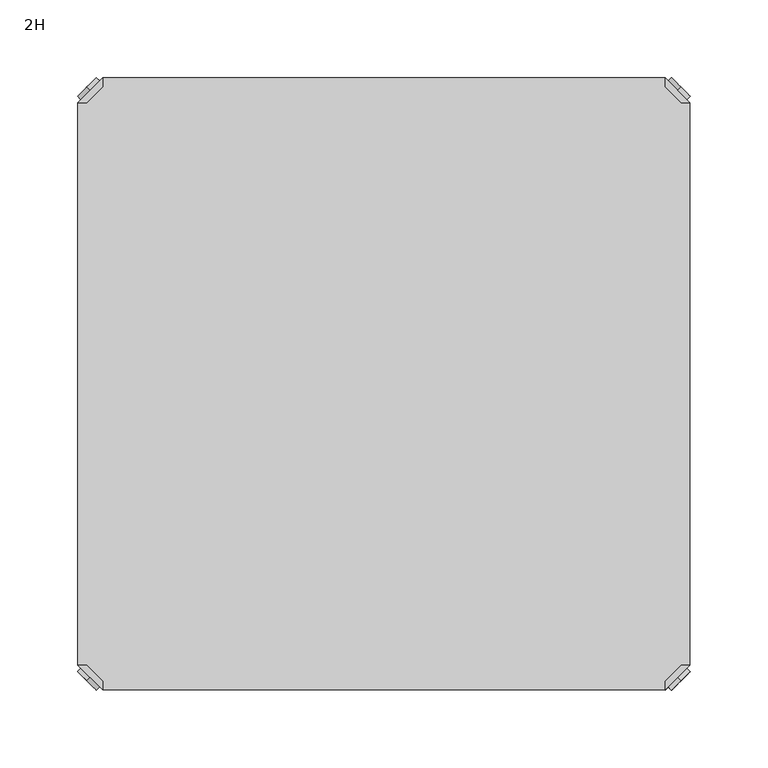
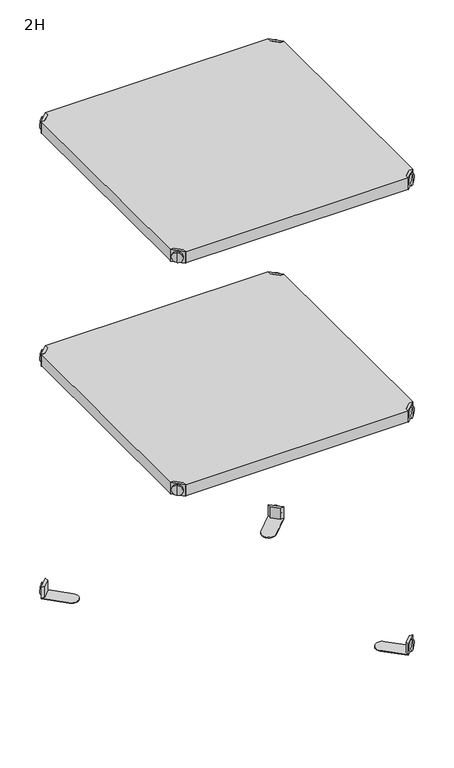
"""IFC4 building model written with IfcOpenShell, lengths in millimetres: furniture geometry, 2H."""

from ifc_helpers import new_model, si_unit, frame, origin, place, context, project, spatial, polyline, circle_curve, outline, extrude, source, transform, mapped, element, save
from ifc_brep_helpers import plane_surface, cylinder_surface, advanced_brep


def furniture_2h_fdd442cc(model_context):
    return source(origin(), model_context, "Body", "SolidModel", [
        advanced_brep(
        [(389.0398449, 10.9601551, 498.5), (389.0398449, 10.9601551, 515.5), (389.0398449, 10.9601551, 507.0), (391.1611652, 8.8388348, 498.5), (391.1611652, 8.8388348, 515.5), (391.1611652, 8.8388348, 507.0)],
        [
            (0, 1, circle_curve(frame((389.0398449, 10.9601551, 507.0), z_axis=(-0.7071067811865556, 0.7071067811865395, 0.0), x_axis=(0.0, 0.0, 1.0)), 8.5)),
            (1, 2),
            (2, 0),
            (1, 0, circle_curve(frame((389.0398449, 10.9601551, 507.0), z_axis=(-0.7071067811865556, 0.7071067811865395, 0.0), x_axis=(0.0, 0.0, 1.0)), 8.5)),
            (3, 4, circle_curve(frame((391.1611652, 8.8388348, 507.0), z_axis=(-0.7071067811865556, 0.7071067811865395, 0.0), x_axis=(0.0, 0.0, 1.0)), 8.5)),
            (4, 1),
            (0, 3),
            (4, 3, circle_curve(frame((391.1611652, 8.8388348, 507.0), z_axis=(-0.7071067811865556, 0.7071067811865395, 0.0), x_axis=(0.0, 0.0, 1.0)), 8.5)),
            (5, 4),
            (3, 5),
        ],
        [
            plane_surface(frame((389.0398449, 10.9601551, 507.0), z_axis=(-0.7071067811865552, 0.7071067811865399, 0.0), x_axis=(0.0, 0.0, 1.0))),
            cylinder_surface(frame((391.1611652, 8.8388348, 507.0), z_axis=(0.7071067811865556, -0.7071067811865395, 0.0), x_axis=(0.0, 0.0, 1.0)), 8.5),
            plane_surface(frame((391.1611652, 8.8388348, 507.0), z_axis=(0.7071067811865552, -0.7071067811865399, 0.0), x_axis=(0.0, 0.0, 1.0))),
        ],
        [
            (0, [[1, 2, 3]]),
            (0, [[4, -3, -2]]),
            (1, [[5, 6, -1, 7]]),
            (1, [[8, -7, -4, -6]]),
            (2, [[9, -5, 10]]),
            (2, [[-10, -8, -9]]),
        ],
    ),
        advanced_brep(
        [(381.0796898, 3.0, 517.0), (397.0, 18.9203102, 517.0), (391.3431458, 18.9203102, 517.0), (381.0796898, 8.6568542, 517.0), (381.0796898, 3.0, 498.0), (381.0796898, 3.0, 497.0), (397.0, 18.9203102, 497.0), (397.0, 18.9203102, 498.0), (391.3431458, 18.9203102, 498.0), (381.0796898, 8.6568542, 498.0), (368.1906025, 47.7297077, 498.0), (352.2702923, 31.8093975, 498.0), (352.2702923, 31.8093975, 497.0), (368.1906025, 47.7297077, 497.0)],
        [
            (0, 1),
            (1, 2),
            (2, 3),
            (3, 0),
            (0, 4),
            (4, 5),
            (5, 6),
            (6, 7),
            (7, 1),
            (2, 8),
            (8, 9),
            (9, 3),
            (9, 4),
            (7, 8),
            (7, 10),
            (10, 11, circle_curve(frame((360.2304474, 39.7695526, 498.0), z_axis=(0.0, 0.0, 1.0), x_axis=(-1.0, 0.0, 0.0)), 11.2573593)),
            (11, 4),
            (5, 12),
            (12, 13, circle_curve(frame((360.2304474, 39.7695526, 497.0), z_axis=(0.0, 0.0, -1.0), x_axis=(-1.0, 0.0, 0.0)), 11.2573593)),
            (13, 6),
            (13, 10),
            (12, 11),
        ],
        [
            plane_surface(frame((438.8756299, 60.7959401, 517.0), z_axis=(0.0, 0.0, 1.0000000000000002), x_axis=(0.7071067811865465, 0.7071067811865487, 0.0))),
            plane_surface(frame((381.0796898, 3.0, 517.0), z_axis=(0.7071067811865487, -0.7071067811865465, 0.0), x_axis=(0.0, 0.0, -1.0))),
            plane_surface(frame((391.3431458, 18.9203102, 517.0), z_axis=(-0.7071067811865573, 0.7071067811865377, 0.0), x_axis=(0.0, 0.0, -1.0))),
            plane_surface(frame((381.0796898, 8.6568542, 517.0), z_axis=(-1.0, 0.0, 0.0), x_axis=(0.0, 0.0, -1.0))),
            plane_surface(frame((397.0, 18.9203102, 517.0), z_axis=(0.0, 1.0, 0.0), x_axis=(0.0, 0.0, -1.0))),
            plane_surface(frame((397.0, 18.9203102, 498.0), z_axis=(0.0, 0.0, 1.0), x_axis=(0.7071067811865392, 0.7071067811865558, 0.0))),
            plane_surface(frame((397.0, 18.9203102, 497.0), z_axis=(0.0, 0.0, -1.0), x_axis=(-0.7071067811865392, -0.7071067811865558, 0.0))),
            plane_surface(frame((397.0, 18.9203102, 498.0), z_axis=(0.7071067811865399, 0.7071067811865552, 0.0), x_axis=(0.0, 0.0, -1.0))),
            cylinder_surface(frame((360.2304474, 39.7695526, 497.0), z_axis=(0.0, 0.0, 1.0), x_axis=(-1.0, 0.0, 0.0)), 11.2573593),
            plane_surface(frame((352.2702923, 31.8093975, 498.0), z_axis=(-0.7071067811865388, -0.7071067811865563, 0.0), x_axis=(0.0, 0.0, -1.0))),
        ],
        [
            (0, [[1, 2, 3, 4]]),
            (1, [[-1, 5, 6, 7, 8, 9]]),
            (2, [[-3, 10, 11, 12]]),
            (3, [[-4, -12, 13, -5]]),
            (4, [[-2, -9, 14, -10]]),
            (5, [[15, 16, 17, -13, -11, -14]]),
            (6, [[18, 19, 20, -7]]),
            (7, [[-15, -8, -20, 21]]),
            (8, [[-16, -21, -19, 22]]),
            (9, [[-17, -22, -18, -6]]),
        ],
    ),
        advanced_brep(
        [(389.0398449, 389.0398449, 498.5), (389.0398449, 389.0398449, 507.0), (389.0398449, 389.0398449, 515.5), (391.1611652, 391.1611652, 498.5), (391.1611652, 391.1611652, 515.5), (391.1611652, 391.1611652, 507.0)],
        [
            (0, 1),
            (1, 2),
            (2, 0, circle_curve(frame((389.0398449, 389.0398449, 507.0), z_axis=(-0.7071067811865509, -0.7071067811865441, 0.0), x_axis=(0.0, 0.0, 1.0)), 8.5)),
            (0, 2, circle_curve(frame((389.0398449, 389.0398449, 507.0), z_axis=(-0.7071067811865509, -0.7071067811865441, 0.0), x_axis=(0.0, 0.0, 1.0)), 8.5)),
            (3, 0),
            (2, 4),
            (4, 3, circle_curve(frame((391.1611652, 391.1611652, 507.0), z_axis=(-0.7071067811865509, -0.7071067811865441, 0.0), x_axis=(0.0, 0.0, 1.0)), 8.5)),
            (3, 4, circle_curve(frame((391.1611652, 391.1611652, 507.0), z_axis=(-0.7071067811865509, -0.7071067811865441, 0.0), x_axis=(0.0, 0.0, 1.0)), 8.5)),
            (5, 3),
            (4, 5),
        ],
        [
            plane_surface(frame((389.0398449, 389.0398449, 507.0), z_axis=(-0.7071067811865506, -0.7071067811865446, 0.0), x_axis=(0.0, 0.0, 1.0))),
            cylinder_surface(frame((391.1611652, 391.1611652, 507.0), z_axis=(0.7071067811865509, 0.7071067811865441, 0.0), x_axis=(0.0, 0.0, 1.0)), 8.5),
            plane_surface(frame((391.1611652, 391.1611652, 507.0), z_axis=(0.7071067811865506, 0.7071067811865446, 0.0), x_axis=(0.0, 0.0, 1.0))),
        ],
        [
            (0, [[1, 2, 3]]),
            (0, [[-2, -1, 4]]),
            (1, [[5, -3, 6, 7]]),
            (1, [[-6, -4, -5, 8]]),
            (2, [[9, -7, 10]]),
            (2, [[-10, -8, -9]]),
        ],
    ),
        advanced_brep(
        [(381.0796898, 397.0, 517.0), (381.0796898, 391.3431458, 517.0), (391.3431458, 381.0796898, 517.0), (397.0, 381.0796898, 517.0), (397.0, 381.0796898, 498.0), (397.0, 381.0796898, 497.0), (381.0796898, 397.0, 497.0), (381.0796898, 397.0, 498.0), (381.0796898, 391.3431458, 498.0), (391.3431458, 381.0796898, 498.0), (352.2702923, 368.1906025, 498.0), (368.1906025, 352.2702923, 498.0), (368.1906025, 352.2702923, 497.0), (352.2702923, 368.1906025, 497.0)],
        [
            (0, 1),
            (1, 2),
            (2, 3),
            (3, 0),
            (3, 4),
            (4, 5),
            (5, 6),
            (6, 7),
            (7, 0),
            (1, 8),
            (8, 9),
            (9, 2),
            (7, 8),
            (9, 4),
            (7, 10),
            (10, 11, circle_curve(frame((360.2304474, 360.2304474, 498.0), z_axis=(0.0, 0.0, 1.0), x_axis=(-1.0, 0.0, 0.0)), 11.2573593)),
            (11, 4),
            (5, 12),
            (12, 13, circle_curve(frame((360.2304474, 360.2304474, 497.0), z_axis=(0.0, 0.0, -1.0), x_axis=(-1.0, 0.0, 0.0)), 11.2573593)),
            (13, 6),
            (11, 12),
            (10, 13),
        ],
        [
            plane_surface(frame((438.8756299, 339.2040599, 517.0), z_axis=(0.0, 0.0, 1.0000000000000002), x_axis=(0.7071067811865511, -0.707106781186544, 0.0))),
            plane_surface(frame((381.0796898, 397.0, 517.0), z_axis=(0.707106781186544, 0.7071067811865511, 0.0), x_axis=(0.0, 0.0, -1.0))),
            plane_surface(frame((391.3431458, 381.0796898, 517.0), z_axis=(-0.7071067811865527, -0.7071067811865424, 0.0), x_axis=(0.0, 0.0, -1.0))),
            plane_surface(frame((381.0796898, 391.3431458, 517.0), z_axis=(-1.0, 0.0, 0.0), x_axis=(0.0, 0.0, -1.0))),
            plane_surface(frame((397.0, 381.0796898, 517.0), z_axis=(0.0, -1.0, 0.0), x_axis=(0.0, 0.0, -1.0))),
            plane_surface(frame((397.0, 381.0796898, 498.0), z_axis=(0.0, 0.0, 1.0), x_axis=(0.7071067811865439, -0.7071067811865511, 0.0))),
            plane_surface(frame((397.0, 381.0796898, 497.0), z_axis=(0.0, 0.0, -1.0), x_axis=(-0.7071067811865439, 0.7071067811865511, 0.0))),
            plane_surface(frame((397.0, 381.0796898, 498.0), z_axis=(0.7071067811865446, -0.7071067811865506, 0.0), x_axis=(0.0, 0.0, -1.0))),
            cylinder_surface(frame((360.2304474, 360.2304474, 497.0), z_axis=(0.0, 0.0, 1.0), x_axis=(-1.0, 0.0, 0.0)), 11.2573593),
            plane_surface(frame((352.2702923, 368.1906025, 498.0), z_axis=(-0.7071067811865435, 0.7071067811865517, 0.0), x_axis=(0.0, 0.0, -1.0))),
        ],
        [
            (0, [[1, 2, 3, 4]]),
            (1, [[5, 6, 7, 8, 9, -4]]),
            (2, [[10, 11, 12, -2]]),
            (3, [[-9, 13, -10, -1]]),
            (4, [[-12, 14, -5, -3]]),
            (5, [[-14, -11, -13, 15, 16, 17]]),
            (6, [[-7, 18, 19, 20]]),
            (7, [[21, -18, -6, -17]]),
            (8, [[22, -19, -21, -16]]),
            (9, [[-8, -20, -22, -15]]),
        ],
    ),
        advanced_brep(
        [(10.9601551, 389.0398449, 498.5), (10.9601551, 389.0398449, 515.5), (10.9601551, 389.0398449, 507.0), (8.8388348, 391.1611652, 498.5), (8.8388348, 391.1611652, 515.5), (8.8388348, 391.1611652, 507.0)],
        [
            (0, 1, circle_curve(frame((10.9601551, 389.0398449, 507.0), z_axis=(0.7071067811865509, -0.7071067811865441, 0.0), x_axis=(0.0, 0.0, 1.0)), 8.5)),
            (1, 2),
            (2, 0),
            (1, 0, circle_curve(frame((10.9601551, 389.0398449, 507.0), z_axis=(0.7071067811865509, -0.7071067811865441, 0.0), x_axis=(0.0, 0.0, 1.0)), 8.5)),
            (3, 4, circle_curve(frame((8.8388348, 391.1611652, 507.0), z_axis=(0.7071067811865509, -0.7071067811865441, 0.0), x_axis=(0.0, 0.0, 1.0)), 8.5)),
            (4, 1),
            (0, 3),
            (4, 3, circle_curve(frame((8.8388348, 391.1611652, 507.0), z_axis=(0.7071067811865509, -0.7071067811865441, 0.0), x_axis=(0.0, 0.0, 1.0)), 8.5)),
            (5, 4),
            (3, 5),
        ],
        [
            plane_surface(frame((10.9601551, 389.0398449, 507.0), z_axis=(0.7071067811865506, -0.7071067811865446, 0.0), x_axis=(0.0, 0.0, 1.0))),
            cylinder_surface(frame((8.8388348, 391.1611652, 507.0), z_axis=(-0.7071067811865509, 0.7071067811865441, 0.0), x_axis=(0.0, 0.0, 1.0)), 8.5),
            plane_surface(frame((8.8388348, 391.1611652, 507.0), z_axis=(-0.7071067811865506, 0.7071067811865446, 0.0), x_axis=(0.0, 0.0, 1.0))),
        ],
        [
            (0, [[1, 2, 3]]),
            (0, [[4, -3, -2]]),
            (1, [[5, 6, -1, 7]]),
            (1, [[8, -7, -4, -6]]),
            (2, [[9, -5, 10]]),
            (2, [[-10, -8, -9]]),
        ],
    ),
        advanced_brep(
        [(18.9203102, 397.0, 517.0), (3.0, 381.0796898, 517.0), (8.6568542, 381.0796898, 517.0), (18.9203102, 391.3431458, 517.0), (18.9203102, 397.0, 498.0), (18.9203102, 397.0, 497.0), (3.0, 381.0796898, 497.0), (3.0, 381.0796898, 498.0), (8.6568542, 381.0796898, 498.0), (18.9203102, 391.3431458, 498.0), (31.8093975, 352.2702923, 498.0), (47.7297077, 368.1906025, 498.0), (47.7297077, 368.1906025, 497.0), (31.8093975, 352.2702923, 497.0)],
        [
            (0, 1),
            (1, 2),
            (2, 3),
            (3, 0),
            (0, 4),
            (4, 5),
            (5, 6),
            (6, 7),
            (7, 1),
            (2, 8),
            (8, 9),
            (9, 3),
            (9, 4),
            (7, 8),
            (7, 10),
            (10, 11, circle_curve(frame((39.7695526, 360.2304474, 498.0), z_axis=(0.0, 0.0, 1.0), x_axis=(1.0, 0.0, 0.0)), 11.2573593)),
            (11, 4),
            (5, 12),
            (12, 13, circle_curve(frame((39.7695526, 360.2304474, 497.0), z_axis=(0.0, 0.0, -1.0), x_axis=(1.0, 0.0, 0.0)), 11.2573593)),
            (13, 6),
            (13, 10),
            (12, 11),
        ],
        [
            plane_surface(frame((-38.8756299, 339.2040599, 517.0), z_axis=(0.0, 0.0, 1.0000000000000002), x_axis=(-0.7071067811865511, -0.707106781186544, 0.0))),
            plane_surface(frame((18.9203102, 397.0, 517.0), z_axis=(-0.707106781186544, 0.7071067811865511, 0.0), x_axis=(0.0, 0.0, -1.0))),
            plane_surface(frame((8.6568542, 381.0796898, 517.0), z_axis=(0.7071067811865527, -0.7071067811865424, 0.0), x_axis=(0.0, 0.0, -1.0))),
            plane_surface(frame((18.9203102, 391.3431458, 517.0), z_axis=(1.0, 0.0, 0.0), x_axis=(0.0, 0.0, -1.0))),
            plane_surface(frame((3.0, 381.0796898, 517.0), z_axis=(0.0, -1.0, 0.0), x_axis=(0.0, 0.0, -1.0))),
            plane_surface(frame((3.0, 381.0796898, 498.0), z_axis=(0.0, 0.0, 1.0), x_axis=(-0.7071067811865439, -0.7071067811865511, 0.0))),
            plane_surface(frame((3.0, 381.0796898, 497.0), z_axis=(0.0, 0.0, -1.0), x_axis=(0.7071067811865439, 0.7071067811865511, 0.0))),
            plane_surface(frame((3.0, 381.0796898, 498.0), z_axis=(-0.7071067811865446, -0.7071067811865506, 0.0), x_axis=(0.0, 0.0, -1.0))),
            cylinder_surface(frame((39.7695526, 360.2304474, 497.0), z_axis=(0.0, 0.0, 1.0), x_axis=(1.0, 0.0, 0.0)), 11.2573593),
            plane_surface(frame((47.7297077, 368.1906025, 498.0), z_axis=(0.7071067811865435, 0.7071067811865517, 0.0), x_axis=(0.0, 0.0, -1.0))),
        ],
        [
            (0, [[1, 2, 3, 4]]),
            (1, [[-1, 5, 6, 7, 8, 9]]),
            (2, [[-3, 10, 11, 12]]),
            (3, [[-4, -12, 13, -5]]),
            (4, [[-2, -9, 14, -10]]),
            (5, [[15, 16, 17, -13, -11, -14]]),
            (6, [[18, 19, 20, -7]]),
            (7, [[-15, -8, -20, 21]]),
            (8, [[-16, -21, -19, 22]]),
            (9, [[-17, -22, -18, -6]]),
        ],
    ),
        advanced_brep(
        [(10.9601551, 10.9601551, 498.5), (10.9601551, 10.9601551, 507.0), (10.9601551, 10.9601551, 515.5), (8.8388348, 8.8388348, 498.5), (8.8388348, 8.8388348, 515.5), (8.8388348, 8.8388348, 507.0)],
        [
            (0, 1),
            (1, 2),
            (2, 0, circle_curve(frame((10.9601551, 10.9601551, 507.0), z_axis=(0.7071067811865464, 0.7071067811865487, 0.0), x_axis=(0.0, 0.0, 1.0)), 8.5)),
            (0, 2, circle_curve(frame((10.9601551, 10.9601551, 507.0), z_axis=(0.7071067811865464, 0.7071067811865487, 0.0), x_axis=(0.0, 0.0, 1.0)), 8.5)),
            (3, 0),
            (2, 4),
            (4, 3, circle_curve(frame((8.8388348, 8.8388348, 507.0), z_axis=(0.7071067811865464, 0.7071067811865487, 0.0), x_axis=(0.0, 0.0, 1.0)), 8.5)),
            (3, 4, circle_curve(frame((8.8388348, 8.8388348, 507.0), z_axis=(0.7071067811865464, 0.7071067811865487, 0.0), x_axis=(0.0, 0.0, 1.0)), 8.5)),
            (5, 3),
            (4, 5),
        ],
        [
            plane_surface(frame((10.9601551, 10.9601551, 507.0), z_axis=(0.707106781186546, 0.7071067811865491, 0.0), x_axis=(0.0, 0.0, 1.0))),
            cylinder_surface(frame((8.8388348, 8.8388348, 507.0), z_axis=(-0.7071067811865464, -0.7071067811865487, 0.0), x_axis=(0.0, 0.0, 1.0)), 8.5),
            plane_surface(frame((8.8388348, 8.8388348, 507.0), z_axis=(-0.707106781186546, -0.7071067811865491, 0.0), x_axis=(0.0, 0.0, 1.0))),
        ],
        [
            (0, [[1, 2, 3]]),
            (0, [[-2, -1, 4]]),
            (1, [[5, -3, 6, 7]]),
            (1, [[-6, -4, -5, 8]]),
            (2, [[9, -7, 10]]),
            (2, [[-10, -8, -9]]),
        ],
    ),
        advanced_brep(
        [(18.9203102, 3.0, 517.0), (18.9203102, 8.6568542, 517.0), (8.6568542, 18.9203102, 517.0), (3.0, 18.9203102, 517.0), (3.0, 18.9203102, 498.0), (3.0, 18.9203102, 497.0), (18.9203102, 3.0, 497.0), (18.9203102, 3.0, 498.0), (18.9203102, 8.6568542, 498.0), (8.6568542, 18.9203102, 498.0), (47.7297077, 31.8093975, 498.0), (31.8093975, 47.7297077, 498.0), (31.8093975, 47.7297077, 497.0), (47.7297077, 31.8093975, 497.0)],
        [
            (0, 1),
            (1, 2),
            (2, 3),
            (3, 0),
            (3, 4),
            (4, 5),
            (5, 6),
            (6, 7),
            (7, 0),
            (1, 8),
            (8, 9),
            (9, 2),
            (7, 8),
            (9, 4),
            (7, 10),
            (10, 11, circle_curve(frame((39.7695526, 39.7695526, 498.0), z_axis=(0.0, 0.0, 1.0), x_axis=(1.0, 0.0, 0.0)), 11.2573593)),
            (11, 4),
            (5, 12),
            (12, 13, circle_curve(frame((39.7695526, 39.7695526, 497.0), z_axis=(0.0, 0.0, -1.0), x_axis=(1.0, 0.0, 0.0)), 11.2573593)),
            (13, 6),
            (11, 12),
            (10, 13),
        ],
        [
            plane_surface(frame((-38.8756299, 60.7959401, 517.0), z_axis=(0.0, 0.0, 1.0000000000000002), x_axis=(-0.7071067811865557, 0.7071067811865395, 0.0))),
            plane_surface(frame((18.9203102, 3.0, 517.0), z_axis=(-0.7071067811865395, -0.7071067811865557, 0.0), x_axis=(0.0, 0.0, -1.0))),
            plane_surface(frame((8.6568542, 18.9203102, 517.0), z_axis=(0.7071067811865481, 0.7071067811865469, 0.0), x_axis=(0.0, 0.0, -1.0))),
            plane_surface(frame((18.9203102, 8.6568542, 517.0), z_axis=(1.0, 0.0, 0.0), x_axis=(0.0, 0.0, -1.0))),
            plane_surface(frame((3.0, 18.9203102, 517.0), z_axis=(0.0, 1.0, 0.0), x_axis=(0.0, 0.0, -1.0))),
            plane_surface(frame((3.0, 18.9203102, 498.0), z_axis=(0.0, 0.0, 1.0), x_axis=(-0.7071067811865485, 0.7071067811865466, 0.0))),
            plane_surface(frame((3.0, 18.9203102, 497.0), z_axis=(0.0, 0.0, -1.0), x_axis=(0.7071067811865485, -0.7071067811865466, 0.0))),
            plane_surface(frame((3.0, 18.9203102, 498.0), z_axis=(-0.7071067811865491, 0.707106781186546, 0.0), x_axis=(0.0, 0.0, -1.0))),
            cylinder_surface(frame((39.7695526, 39.7695526, 497.0), z_axis=(0.0, 0.0, 1.0), x_axis=(1.0, 0.0, 0.0)), 11.2573593),
            plane_surface(frame((47.7297077, 31.8093975, 498.0), z_axis=(0.707106781186548, -0.7071067811865471, 0.0), x_axis=(0.0, 0.0, -1.0))),
        ],
        [
            (0, [[1, 2, 3, 4]]),
            (1, [[5, 6, 7, 8, 9, -4]]),
            (2, [[10, 11, 12, -2]]),
            (3, [[-9, 13, -10, -1]]),
            (4, [[-12, 14, -5, -3]]),
            (5, [[-14, -11, -13, 15, 16, 17]]),
            (6, [[-7, 18, 19, 20]]),
            (7, [[21, -18, -6, -17]]),
            (8, [[22, -19, -21, -16]]),
            (9, [[-8, -20, -22, -15]]),
        ],
    ),
        extrude(outline(polyline([(381.0796898, 3.0), (18.9203102, 3.0), (18.9203102, 8.6568542), (8.6568542, 18.9203102), (3.0, 18.9203102), (3.0, 381.0796898), (8.6568542, 381.0796898), (18.9203102, 391.3431458), (18.9203102, 397.0), (381.0796898, 397.0), (381.0796898, 391.3431458), (391.3431458, 381.0796898), (397.0, 381.0796898), (397.0, 18.9203102), (391.3431458, 18.9203102), (381.0796898, 8.6568542), (381.0796898, 3.0)])), frame((0.0, 0.0, 498.0), z_axis=(0.0, 0.0, 1.0), x_axis=(1.0, 0.0, 0.0)), (0.0, 0.0, 1.0), 19.0),
        advanced_brep(
        [(389.0398449, 10.9601551, 898.5), (389.0398449, 10.9601551, 915.5), (389.0398449, 10.9601551, 907.0), (391.1611652, 8.8388348, 898.5), (391.1611652, 8.8388348, 915.5), (391.1611652, 8.8388348, 907.0)],
        [
            (0, 1, circle_curve(frame((389.0398449, 10.9601551, 907.0), z_axis=(-0.7071067811865556, 0.7071067811865395, 0.0), x_axis=(0.0, 0.0, 1.0)), 8.5)),
            (1, 2),
            (2, 0),
            (1, 0, circle_curve(frame((389.0398449, 10.9601551, 907.0), z_axis=(-0.7071067811865556, 0.7071067811865395, 0.0), x_axis=(0.0, 0.0, 1.0)), 8.5)),
            (3, 4, circle_curve(frame((391.1611652, 8.8388348, 907.0), z_axis=(-0.7071067811865556, 0.7071067811865395, 0.0), x_axis=(0.0, 0.0, 1.0)), 8.5)),
            (4, 1),
            (0, 3),
            (4, 3, circle_curve(frame((391.1611652, 8.8388348, 907.0), z_axis=(-0.7071067811865556, 0.7071067811865395, 0.0), x_axis=(0.0, 0.0, 1.0)), 8.5)),
            (5, 4),
            (3, 5),
        ],
        [
            plane_surface(frame((389.0398449, 10.9601551, 907.0), z_axis=(-0.7071067811865552, 0.7071067811865399, 0.0), x_axis=(0.0, 0.0, 1.0))),
            cylinder_surface(frame((391.1611652, 8.8388348, 907.0), z_axis=(0.7071067811865556, -0.7071067811865395, 0.0), x_axis=(0.0, 0.0, 1.0)), 8.5),
            plane_surface(frame((391.1611652, 8.8388348, 907.0), z_axis=(0.7071067811865552, -0.7071067811865399, 0.0), x_axis=(0.0, 0.0, 1.0))),
        ],
        [
            (0, [[1, 2, 3]]),
            (0, [[4, -3, -2]]),
            (1, [[5, 6, -1, 7]]),
            (1, [[8, -7, -4, -6]]),
            (2, [[9, -5, 10]]),
            (2, [[-10, -8, -9]]),
        ],
    ),
        advanced_brep(
        [(381.0796898, 3.0, 917.0), (397.0, 18.9203102, 917.0), (391.3431458, 18.9203102, 917.0), (381.0796898, 8.6568542, 917.0), (381.0796898, 3.0, 898.0), (381.0796898, 3.0, 897.0), (397.0, 18.9203102, 897.0), (397.0, 18.9203102, 898.0), (391.3431458, 18.9203102, 898.0), (381.0796898, 8.6568542, 898.0), (368.1906025, 47.7297077, 898.0), (352.2702923, 31.8093975, 898.0), (352.2702923, 31.8093975, 897.0), (368.1906025, 47.7297077, 897.0)],
        [
            (0, 1),
            (1, 2),
            (2, 3),
            (3, 0),
            (0, 4),
            (4, 5),
            (5, 6),
            (6, 7),
            (7, 1),
            (2, 8),
            (8, 9),
            (9, 3),
            (9, 4),
            (7, 8),
            (7, 10),
            (10, 11, circle_curve(frame((360.2304474, 39.7695526, 898.0), z_axis=(0.0, 0.0, 1.0), x_axis=(-1.0, 0.0, 0.0)), 11.2573593)),
            (11, 4),
            (5, 12),
            (12, 13, circle_curve(frame((360.2304474, 39.7695526, 897.0), z_axis=(0.0, 0.0, -1.0), x_axis=(-1.0, 0.0, 0.0)), 11.2573593)),
            (13, 6),
            (13, 10),
            (12, 11),
        ],
        [
            plane_surface(frame((438.8756299, 60.7959401, 917.0), z_axis=(0.0, 0.0, 1.0000000000000002), x_axis=(0.7071067811865465, 0.7071067811865487, 0.0))),
            plane_surface(frame((381.0796898, 3.0, 917.0), z_axis=(0.7071067811865487, -0.7071067811865465, 0.0), x_axis=(0.0, 0.0, -1.0))),
            plane_surface(frame((391.3431458, 18.9203102, 917.0), z_axis=(-0.7071067811865573, 0.7071067811865377, 0.0), x_axis=(0.0, 0.0, -1.0))),
            plane_surface(frame((381.0796898, 8.6568542, 917.0), z_axis=(-1.0, 0.0, 0.0), x_axis=(0.0, 0.0, -1.0))),
            plane_surface(frame((397.0, 18.9203102, 917.0), z_axis=(0.0, 1.0, 0.0), x_axis=(0.0, 0.0, -1.0))),
            plane_surface(frame((397.0, 18.9203102, 898.0), z_axis=(0.0, 0.0, 1.0), x_axis=(0.7071067811865392, 0.7071067811865558, 0.0))),
            plane_surface(frame((397.0, 18.9203102, 897.0), z_axis=(0.0, 0.0, -1.0), x_axis=(-0.7071067811865392, -0.7071067811865558, 0.0))),
            plane_surface(frame((397.0, 18.9203102, 898.0), z_axis=(0.7071067811865399, 0.7071067811865552, 0.0), x_axis=(0.0, 0.0, -1.0))),
            cylinder_surface(frame((360.2304474, 39.7695526, 897.0), z_axis=(0.0, 0.0, 1.0), x_axis=(-1.0, 0.0, 0.0)), 11.2573593),
            plane_surface(frame((352.2702923, 31.8093975, 898.0), z_axis=(-0.7071067811865388, -0.7071067811865563, 0.0), x_axis=(0.0, 0.0, -1.0))),
        ],
        [
            (0, [[1, 2, 3, 4]]),
            (1, [[-1, 5, 6, 7, 8, 9]]),
            (2, [[-3, 10, 11, 12]]),
            (3, [[-4, -12, 13, -5]]),
            (4, [[-2, -9, 14, -10]]),
            (5, [[15, 16, 17, -13, -11, -14]]),
            (6, [[18, 19, 20, -7]]),
            (7, [[-15, -8, -20, 21]]),
            (8, [[-16, -21, -19, 22]]),
            (9, [[-17, -22, -18, -6]]),
        ],
    ),
        advanced_brep(
        [(389.0398449, 389.0398449, 898.5), (389.0398449, 389.0398449, 907.0), (389.0398449, 389.0398449, 915.5), (391.1611652, 391.1611652, 898.5), (391.1611652, 391.1611652, 915.5), (391.1611652, 391.1611652, 907.0)],
        [
            (0, 1),
            (1, 2),
            (2, 0, circle_curve(frame((389.0398449, 389.0398449, 907.0), z_axis=(-0.7071067811865509, -0.7071067811865441, 0.0), x_axis=(0.0, 0.0, 1.0)), 8.5)),
            (0, 2, circle_curve(frame((389.0398449, 389.0398449, 907.0), z_axis=(-0.7071067811865509, -0.7071067811865441, 0.0), x_axis=(0.0, 0.0, 1.0)), 8.5)),
            (3, 0),
            (2, 4),
            (4, 3, circle_curve(frame((391.1611652, 391.1611652, 907.0), z_axis=(-0.7071067811865509, -0.7071067811865441, 0.0), x_axis=(0.0, 0.0, 1.0)), 8.5)),
            (3, 4, circle_curve(frame((391.1611652, 391.1611652, 907.0), z_axis=(-0.7071067811865509, -0.7071067811865441, 0.0), x_axis=(0.0, 0.0, 1.0)), 8.5)),
            (5, 3),
            (4, 5),
        ],
        [
            plane_surface(frame((389.0398449, 389.0398449, 907.0), z_axis=(-0.7071067811865506, -0.7071067811865446, 0.0), x_axis=(0.0, 0.0, 1.0))),
            cylinder_surface(frame((391.1611652, 391.1611652, 907.0), z_axis=(0.7071067811865509, 0.7071067811865441, 0.0), x_axis=(0.0, 0.0, 1.0)), 8.5),
            plane_surface(frame((391.1611652, 391.1611652, 907.0), z_axis=(0.7071067811865506, 0.7071067811865446, 0.0), x_axis=(0.0, 0.0, 1.0))),
        ],
        [
            (0, [[1, 2, 3]]),
            (0, [[-2, -1, 4]]),
            (1, [[5, -3, 6, 7]]),
            (1, [[-6, -4, -5, 8]]),
            (2, [[9, -7, 10]]),
            (2, [[-10, -8, -9]]),
        ],
    ),
        advanced_brep(
        [(381.0796898, 397.0, 917.0), (381.0796898, 391.3431458, 917.0), (391.3431458, 381.0796898, 917.0), (397.0, 381.0796898, 917.0), (397.0, 381.0796898, 898.0), (397.0, 381.0796898, 897.0), (381.0796898, 397.0, 897.0), (381.0796898, 397.0, 898.0), (381.0796898, 391.3431458, 898.0), (391.3431458, 381.0796898, 898.0), (352.2702923, 368.1906025, 898.0), (368.1906025, 352.2702923, 898.0), (368.1906025, 352.2702923, 897.0), (352.2702923, 368.1906025, 897.0)],
        [
            (0, 1),
            (1, 2),
            (2, 3),
            (3, 0),
            (3, 4),
            (4, 5),
            (5, 6),
            (6, 7),
            (7, 0),
            (1, 8),
            (8, 9),
            (9, 2),
            (7, 8),
            (9, 4),
            (7, 10),
            (10, 11, circle_curve(frame((360.2304474, 360.2304474, 898.0), z_axis=(0.0, 0.0, 1.0), x_axis=(-1.0, 0.0, 0.0)), 11.2573593)),
            (11, 4),
            (5, 12),
            (12, 13, circle_curve(frame((360.2304474, 360.2304474, 897.0), z_axis=(0.0, 0.0, -1.0), x_axis=(-1.0, 0.0, 0.0)), 11.2573593)),
            (13, 6),
            (11, 12),
            (10, 13),
        ],
        [
            plane_surface(frame((438.8756299, 339.2040599, 917.0), z_axis=(0.0, 0.0, 1.0000000000000002), x_axis=(0.7071067811865511, -0.707106781186544, 0.0))),
            plane_surface(frame((381.0796898, 397.0, 917.0), z_axis=(0.707106781186544, 0.7071067811865511, 0.0), x_axis=(0.0, 0.0, -1.0))),
            plane_surface(frame((391.3431458, 381.0796898, 917.0), z_axis=(-0.7071067811865527, -0.7071067811865424, 0.0), x_axis=(0.0, 0.0, -1.0))),
            plane_surface(frame((381.0796898, 391.3431458, 917.0), z_axis=(-1.0, 0.0, 0.0), x_axis=(0.0, 0.0, -1.0))),
            plane_surface(frame((397.0, 381.0796898, 917.0), z_axis=(0.0, -1.0, 0.0), x_axis=(0.0, 0.0, -1.0))),
            plane_surface(frame((397.0, 381.0796898, 898.0), z_axis=(0.0, 0.0, 1.0), x_axis=(0.7071067811865439, -0.7071067811865511, 0.0))),
            plane_surface(frame((397.0, 381.0796898, 897.0), z_axis=(0.0, 0.0, -1.0), x_axis=(-0.7071067811865439, 0.7071067811865511, 0.0))),
            plane_surface(frame((397.0, 381.0796898, 898.0), z_axis=(0.7071067811865446, -0.7071067811865506, 0.0), x_axis=(0.0, 0.0, -1.0))),
            cylinder_surface(frame((360.2304474, 360.2304474, 897.0), z_axis=(0.0, 0.0, 1.0), x_axis=(-1.0, 0.0, 0.0)), 11.2573593),
            plane_surface(frame((352.2702923, 368.1906025, 898.0), z_axis=(-0.7071067811865435, 0.7071067811865517, 0.0), x_axis=(0.0, 0.0, -1.0))),
        ],
        [
            (0, [[1, 2, 3, 4]]),
            (1, [[5, 6, 7, 8, 9, -4]]),
            (2, [[10, 11, 12, -2]]),
            (3, [[-9, 13, -10, -1]]),
            (4, [[-12, 14, -5, -3]]),
            (5, [[-14, -11, -13, 15, 16, 17]]),
            (6, [[-7, 18, 19, 20]]),
            (7, [[21, -18, -6, -17]]),
            (8, [[22, -19, -21, -16]]),
            (9, [[-8, -20, -22, -15]]),
        ],
    ),
        advanced_brep(
        [(10.9601551, 389.0398449, 898.5), (10.9601551, 389.0398449, 915.5), (10.9601551, 389.0398449, 907.0), (8.8388348, 391.1611652, 898.5), (8.8388348, 391.1611652, 915.5), (8.8388348, 391.1611652, 907.0)],
        [
            (0, 1, circle_curve(frame((10.9601551, 389.0398449, 907.0), z_axis=(0.7071067811865509, -0.7071067811865441, 0.0), x_axis=(0.0, 0.0, 1.0)), 8.5)),
            (1, 2),
            (2, 0),
            (1, 0, circle_curve(frame((10.9601551, 389.0398449, 907.0), z_axis=(0.7071067811865509, -0.7071067811865441, 0.0), x_axis=(0.0, 0.0, 1.0)), 8.5)),
            (3, 4, circle_curve(frame((8.8388348, 391.1611652, 907.0), z_axis=(0.7071067811865509, -0.7071067811865441, 0.0), x_axis=(0.0, 0.0, 1.0)), 8.5)),
            (4, 1),
            (0, 3),
            (4, 3, circle_curve(frame((8.8388348, 391.1611652, 907.0), z_axis=(0.7071067811865509, -0.7071067811865441, 0.0), x_axis=(0.0, 0.0, 1.0)), 8.5)),
            (5, 4),
            (3, 5),
        ],
        [
            plane_surface(frame((10.9601551, 389.0398449, 907.0), z_axis=(0.7071067811865506, -0.7071067811865446, 0.0), x_axis=(0.0, 0.0, 1.0))),
            cylinder_surface(frame((8.8388348, 391.1611652, 907.0), z_axis=(-0.7071067811865509, 0.7071067811865441, 0.0), x_axis=(0.0, 0.0, 1.0)), 8.5),
            plane_surface(frame((8.8388348, 391.1611652, 907.0), z_axis=(-0.7071067811865506, 0.7071067811865446, 0.0), x_axis=(0.0, 0.0, 1.0))),
        ],
        [
            (0, [[1, 2, 3]]),
            (0, [[4, -3, -2]]),
            (1, [[5, 6, -1, 7]]),
            (1, [[8, -7, -4, -6]]),
            (2, [[9, -5, 10]]),
            (2, [[-10, -8, -9]]),
        ],
    ),
        advanced_brep(
        [(18.9203102, 397.0, 917.0), (3.0, 381.0796898, 917.0), (8.6568542, 381.0796898, 917.0), (18.9203102, 391.3431458, 917.0), (18.9203102, 397.0, 898.0), (18.9203102, 397.0, 897.0), (3.0, 381.0796898, 897.0), (3.0, 381.0796898, 898.0), (8.6568542, 381.0796898, 898.0), (18.9203102, 391.3431458, 898.0), (31.8093975, 352.2702923, 898.0), (47.7297077, 368.1906025, 898.0), (47.7297077, 368.1906025, 897.0), (31.8093975, 352.2702923, 897.0)],
        [
            (0, 1),
            (1, 2),
            (2, 3),
            (3, 0),
            (0, 4),
            (4, 5),
            (5, 6),
            (6, 7),
            (7, 1),
            (2, 8),
            (8, 9),
            (9, 3),
            (9, 4),
            (7, 8),
            (7, 10),
            (10, 11, circle_curve(frame((39.7695526, 360.2304474, 898.0), z_axis=(0.0, 0.0, 1.0), x_axis=(1.0, 0.0, 0.0)), 11.2573593)),
            (11, 4),
            (5, 12),
            (12, 13, circle_curve(frame((39.7695526, 360.2304474, 897.0), z_axis=(0.0, 0.0, -1.0), x_axis=(1.0, 0.0, 0.0)), 11.2573593)),
            (13, 6),
            (13, 10),
            (12, 11),
        ],
        [
            plane_surface(frame((-38.8756299, 339.2040599, 917.0), z_axis=(0.0, 0.0, 1.0000000000000002), x_axis=(-0.7071067811865511, -0.707106781186544, 0.0))),
            plane_surface(frame((18.9203102, 397.0, 917.0), z_axis=(-0.707106781186544, 0.7071067811865511, 0.0), x_axis=(0.0, 0.0, -1.0))),
            plane_surface(frame((8.6568542, 381.0796898, 917.0), z_axis=(0.7071067811865527, -0.7071067811865424, 0.0), x_axis=(0.0, 0.0, -1.0))),
            plane_surface(frame((18.9203102, 391.3431458, 917.0), z_axis=(1.0, 0.0, 0.0), x_axis=(0.0, 0.0, -1.0))),
            plane_surface(frame((3.0, 381.0796898, 917.0), z_axis=(0.0, -1.0, 0.0), x_axis=(0.0, 0.0, -1.0))),
            plane_surface(frame((3.0, 381.0796898, 898.0), z_axis=(0.0, 0.0, 1.0), x_axis=(-0.7071067811865439, -0.7071067811865511, 0.0))),
            plane_surface(frame((3.0, 381.0796898, 897.0), z_axis=(0.0, 0.0, -1.0), x_axis=(0.7071067811865439, 0.7071067811865511, 0.0))),
            plane_surface(frame((3.0, 381.0796898, 898.0), z_axis=(-0.7071067811865446, -0.7071067811865506, 0.0), x_axis=(0.0, 0.0, -1.0))),
            cylinder_surface(frame((39.7695526, 360.2304474, 897.0), z_axis=(0.0, 0.0, 1.0), x_axis=(1.0, 0.0, 0.0)), 11.2573593),
            plane_surface(frame((47.7297077, 368.1906025, 898.0), z_axis=(0.7071067811865435, 0.7071067811865517, 0.0), x_axis=(0.0, 0.0, -1.0))),
        ],
        [
            (0, [[1, 2, 3, 4]]),
            (1, [[-1, 5, 6, 7, 8, 9]]),
            (2, [[-3, 10, 11, 12]]),
            (3, [[-4, -12, 13, -5]]),
            (4, [[-2, -9, 14, -10]]),
            (5, [[15, 16, 17, -13, -11, -14]]),
            (6, [[18, 19, 20, -7]]),
            (7, [[-15, -8, -20, 21]]),
            (8, [[-16, -21, -19, 22]]),
            (9, [[-17, -22, -18, -6]]),
        ],
    ),
        advanced_brep(
        [(10.9601551, 10.9601551, 898.5), (10.9601551, 10.9601551, 907.0), (10.9601551, 10.9601551, 915.5), (8.8388348, 8.8388348, 898.5), (8.8388348, 8.8388348, 915.5), (8.8388348, 8.8388348, 907.0)],
        [
            (0, 1),
            (1, 2),
            (2, 0, circle_curve(frame((10.9601551, 10.9601551, 907.0), z_axis=(0.7071067811865464, 0.7071067811865487, 0.0), x_axis=(0.0, 0.0, 1.0)), 8.5)),
            (0, 2, circle_curve(frame((10.9601551, 10.9601551, 907.0), z_axis=(0.7071067811865464, 0.7071067811865487, 0.0), x_axis=(0.0, 0.0, 1.0)), 8.5)),
            (3, 0),
            (2, 4),
            (4, 3, circle_curve(frame((8.8388348, 8.8388348, 907.0), z_axis=(0.7071067811865464, 0.7071067811865487, 0.0), x_axis=(0.0, 0.0, 1.0)), 8.5)),
            (3, 4, circle_curve(frame((8.8388348, 8.8388348, 907.0), z_axis=(0.7071067811865464, 0.7071067811865487, 0.0), x_axis=(0.0, 0.0, 1.0)), 8.5)),
            (5, 3),
            (4, 5),
        ],
        [
            plane_surface(frame((10.9601551, 10.9601551, 907.0), z_axis=(0.707106781186546, 0.7071067811865491, 0.0), x_axis=(0.0, 0.0, 1.0))),
            cylinder_surface(frame((8.8388348, 8.8388348, 907.0), z_axis=(-0.7071067811865464, -0.7071067811865487, 0.0), x_axis=(0.0, 0.0, 1.0)), 8.5),
            plane_surface(frame((8.8388348, 8.8388348, 907.0), z_axis=(-0.707106781186546, -0.7071067811865491, 0.0), x_axis=(0.0, 0.0, 1.0))),
        ],
        [
            (0, [[1, 2, 3]]),
            (0, [[-2, -1, 4]]),
            (1, [[5, -3, 6, 7]]),
            (1, [[-6, -4, -5, 8]]),
            (2, [[9, -7, 10]]),
            (2, [[-10, -8, -9]]),
        ],
    ),
        advanced_brep(
        [(18.9203102, 3.0, 917.0), (18.9203102, 8.6568542, 917.0), (8.6568542, 18.9203102, 917.0), (3.0, 18.9203102, 917.0), (3.0, 18.9203102, 898.0), (3.0, 18.9203102, 897.0), (18.9203102, 3.0, 897.0), (18.9203102, 3.0, 898.0), (18.9203102, 8.6568542, 898.0), (8.6568542, 18.9203102, 898.0), (47.7297077, 31.8093975, 898.0), (31.8093975, 47.7297077, 898.0), (31.8093975, 47.7297077, 897.0), (47.7297077, 31.8093975, 897.0)],
        [
            (0, 1),
            (1, 2),
            (2, 3),
            (3, 0),
            (3, 4),
            (4, 5),
            (5, 6),
            (6, 7),
            (7, 0),
            (1, 8),
            (8, 9),
            (9, 2),
            (7, 8),
            (9, 4),
            (7, 10),
            (10, 11, circle_curve(frame((39.7695526, 39.7695526, 898.0), z_axis=(0.0, 0.0, 1.0), x_axis=(1.0, 0.0, 0.0)), 11.2573593)),
            (11, 4),
            (5, 12),
            (12, 13, circle_curve(frame((39.7695526, 39.7695526, 897.0), z_axis=(0.0, 0.0, -1.0), x_axis=(1.0, 0.0, 0.0)), 11.2573593)),
            (13, 6),
            (11, 12),
            (10, 13),
        ],
        [
            plane_surface(frame((-38.8756299, 60.7959401, 917.0), z_axis=(0.0, 0.0, 1.0000000000000002), x_axis=(-0.7071067811865557, 0.7071067811865395, 0.0))),
            plane_surface(frame((18.9203102, 3.0, 917.0), z_axis=(-0.7071067811865395, -0.7071067811865557, 0.0), x_axis=(0.0, 0.0, -1.0))),
            plane_surface(frame((8.6568542, 18.9203102, 917.0), z_axis=(0.7071067811865481, 0.7071067811865469, 0.0), x_axis=(0.0, 0.0, -1.0))),
            plane_surface(frame((18.9203102, 8.6568542, 917.0), z_axis=(1.0, 0.0, 0.0), x_axis=(0.0, 0.0, -1.0))),
            plane_surface(frame((3.0, 18.9203102, 917.0), z_axis=(0.0, 1.0, 0.0), x_axis=(0.0, 0.0, -1.0))),
            plane_surface(frame((3.0, 18.9203102, 898.0), z_axis=(0.0, 0.0, 1.0), x_axis=(-0.7071067811865485, 0.7071067811865466, 0.0))),
            plane_surface(frame((3.0, 18.9203102, 897.0), z_axis=(0.0, 0.0, -1.0), x_axis=(0.7071067811865485, -0.7071067811865466, 0.0))),
            plane_surface(frame((3.0, 18.9203102, 898.0), z_axis=(-0.7071067811865491, 0.707106781186546, 0.0), x_axis=(0.0, 0.0, -1.0))),
            cylinder_surface(frame((39.7695526, 39.7695526, 897.0), z_axis=(0.0, 0.0, 1.0), x_axis=(1.0, 0.0, 0.0)), 11.2573593),
            plane_surface(frame((47.7297077, 31.8093975, 898.0), z_axis=(0.707106781186548, -0.7071067811865471, 0.0), x_axis=(0.0, 0.0, -1.0))),
        ],
        [
            (0, [[1, 2, 3, 4]]),
            (1, [[5, 6, 7, 8, 9, -4]]),
            (2, [[10, 11, 12, -2]]),
            (3, [[-9, 13, -10, -1]]),
            (4, [[-12, 14, -5, -3]]),
            (5, [[-14, -11, -13, 15, 16, 17]]),
            (6, [[-7, 18, 19, 20]]),
            (7, [[21, -18, -6, -17]]),
            (8, [[22, -19, -21, -16]]),
            (9, [[-8, -20, -22, -15]]),
        ],
    ),
        extrude(outline(polyline([(381.0796898, 3.0), (18.9203102, 3.0), (18.9203102, 8.6568542), (8.6568542, 18.9203102), (3.0, 18.9203102), (3.0, 381.0796898), (8.6568542, 381.0796898), (18.9203102, 391.3431458), (18.9203102, 397.0), (381.0796898, 397.0), (381.0796898, 391.3431458), (391.3431458, 381.0796898), (397.0, 381.0796898), (397.0, 18.9203102), (391.3431458, 18.9203102), (381.0796898, 8.6568542), (381.0796898, 3.0)])), frame((0.0, 0.0, 898.0), z_axis=(0.0, 0.0, 1.0), x_axis=(1.0, 0.0, 0.0)), (0.0, 0.0, 1.0), 19.0),
        advanced_brep(
        [(389.0398449, 10.9601551, 98.5), (389.0398449, 10.9601551, 115.5), (389.0398449, 10.9601551, 107.0), (391.1611652, 8.8388348, 98.5), (391.1611652, 8.8388348, 115.5), (391.1611652, 8.8388348, 107.0)],
        [
            (0, 1, circle_curve(frame((389.0398449, 10.9601551, 107.0), z_axis=(-0.7071067811865556, 0.7071067811865395, 0.0), x_axis=(0.0, 0.0, 1.0)), 8.5)),
            (1, 2),
            (2, 0),
            (1, 0, circle_curve(frame((389.0398449, 10.9601551, 107.0), z_axis=(-0.7071067811865556, 0.7071067811865395, 0.0), x_axis=(0.0, 0.0, 1.0)), 8.5)),
            (3, 4, circle_curve(frame((391.1611652, 8.8388348, 107.0), z_axis=(-0.7071067811865556, 0.7071067811865395, 0.0), x_axis=(0.0, 0.0, 1.0)), 8.5)),
            (4, 1),
            (0, 3),
            (4, 3, circle_curve(frame((391.1611652, 8.8388348, 107.0), z_axis=(-0.7071067811865556, 0.7071067811865395, 0.0), x_axis=(0.0, 0.0, 1.0)), 8.5)),
            (5, 4),
            (3, 5),
        ],
        [
            plane_surface(frame((389.0398449, 10.9601551, 107.0), z_axis=(-0.7071067811865552, 0.7071067811865399, 0.0), x_axis=(0.0, 0.0, 1.0))),
            cylinder_surface(frame((391.1611652, 8.8388348, 107.0), z_axis=(0.7071067811865556, -0.7071067811865395, 0.0), x_axis=(0.0, 0.0, 1.0)), 8.5),
            plane_surface(frame((391.1611652, 8.8388348, 107.0), z_axis=(0.7071067811865552, -0.7071067811865399, 0.0), x_axis=(0.0, 0.0, 1.0))),
        ],
        [
            (0, [[1, 2, 3]]),
            (0, [[4, -3, -2]]),
            (1, [[5, 6, -1, 7]]),
            (1, [[8, -7, -4, -6]]),
            (2, [[9, -5, 10]]),
            (2, [[-10, -8, -9]]),
        ],
    ),
        advanced_brep(
        [(381.0796898, 3.0, 117.0), (397.0, 18.9203102, 117.0), (391.3431458, 18.9203102, 117.0), (381.0796898, 8.6568542, 117.0), (381.0796898, 3.0, 98.0), (381.0796898, 3.0, 97.0), (397.0, 18.9203102, 97.0), (397.0, 18.9203102, 98.0), (391.3431458, 18.9203102, 98.0), (381.0796898, 8.6568542, 98.0), (368.1906025, 47.7297077, 98.0), (352.2702923, 31.8093975, 98.0), (352.2702923, 31.8093975, 97.0), (368.1906025, 47.7297077, 97.0)],
        [
            (0, 1),
            (1, 2),
            (2, 3),
            (3, 0),
            (0, 4),
            (4, 5),
            (5, 6),
            (6, 7),
            (7, 1),
            (2, 8),
            (8, 9),
            (9, 3),
            (9, 4),
            (7, 8),
            (7, 10),
            (10, 11, circle_curve(frame((360.2304474, 39.7695526, 98.0), z_axis=(0.0, 0.0, 1.0), x_axis=(-1.0, 0.0, 0.0)), 11.2573593)),
            (11, 4),
            (5, 12),
            (12, 13, circle_curve(frame((360.2304474, 39.7695526, 97.0), z_axis=(0.0, 0.0, -1.0), x_axis=(-1.0, 0.0, 0.0)), 11.2573593)),
            (13, 6),
            (13, 10),
            (12, 11),
        ],
        [
            plane_surface(frame((438.8756299, 60.7959401, 117.0), z_axis=(0.0, 0.0, 1.0000000000000002), x_axis=(0.7071067811865465, 0.7071067811865487, 0.0))),
            plane_surface(frame((381.0796898, 3.0, 117.0), z_axis=(0.7071067811865487, -0.7071067811865465, 0.0), x_axis=(0.0, 0.0, -1.0))),
            plane_surface(frame((391.3431458, 18.9203102, 117.0), z_axis=(-0.7071067811865573, 0.7071067811865377, 0.0), x_axis=(0.0, 0.0, -1.0))),
            plane_surface(frame((381.0796898, 8.6568542, 117.0), z_axis=(-1.0, 0.0, 0.0), x_axis=(0.0, 0.0, -1.0))),
            plane_surface(frame((397.0, 18.9203102, 117.0), z_axis=(0.0, 1.0, 0.0), x_axis=(0.0, 0.0, -1.0))),
            plane_surface(frame((397.0, 18.9203102, 98.0), z_axis=(0.0, 0.0, 1.0), x_axis=(0.7071067811865392, 0.7071067811865558, 0.0))),
            plane_surface(frame((397.0, 18.9203102, 97.0), z_axis=(0.0, 0.0, -1.0), x_axis=(-0.7071067811865392, -0.7071067811865558, 0.0))),
            plane_surface(frame((397.0, 18.9203102, 98.0), z_axis=(0.7071067811865399, 0.7071067811865552, 0.0), x_axis=(0.0, 0.0, -1.0))),
            cylinder_surface(frame((360.2304474, 39.7695526, 97.0), z_axis=(0.0, 0.0, 1.0), x_axis=(-1.0, 0.0, 0.0)), 11.2573593),
            plane_surface(frame((352.2702923, 31.8093975, 98.0), z_axis=(-0.7071067811865388, -0.7071067811865563, 0.0), x_axis=(0.0, 0.0, -1.0))),
        ],
        [
            (0, [[1, 2, 3, 4]]),
            (1, [[-1, 5, 6, 7, 8, 9]]),
            (2, [[-3, 10, 11, 12]]),
            (3, [[-4, -12, 13, -5]]),
            (4, [[-2, -9, 14, -10]]),
            (5, [[15, 16, 17, -13, -11, -14]]),
            (6, [[18, 19, 20, -7]]),
            (7, [[-15, -8, -20, 21]]),
            (8, [[-16, -21, -19, 22]]),
            (9, [[-17, -22, -18, -6]]),
        ],
    ),
        advanced_brep(
        [(389.0398449, 389.0398449, 98.5), (389.0398449, 389.0398449, 107.0), (389.0398449, 389.0398449, 115.5), (391.1611652, 391.1611652, 98.5), (391.1611652, 391.1611652, 115.5), (391.1611652, 391.1611652, 107.0)],
        [
            (0, 1),
            (1, 2),
            (2, 0, circle_curve(frame((389.0398449, 389.0398449, 107.0), z_axis=(-0.7071067811865509, -0.7071067811865441, 0.0), x_axis=(0.0, 0.0, 1.0)), 8.5)),
            (0, 2, circle_curve(frame((389.0398449, 389.0398449, 107.0), z_axis=(-0.7071067811865509, -0.7071067811865441, 0.0), x_axis=(0.0, 0.0, 1.0)), 8.5)),
            (3, 0),
            (2, 4),
            (4, 3, circle_curve(frame((391.1611652, 391.1611652, 107.0), z_axis=(-0.7071067811865509, -0.7071067811865441, 0.0), x_axis=(0.0, 0.0, 1.0)), 8.5)),
            (3, 4, circle_curve(frame((391.1611652, 391.1611652, 107.0), z_axis=(-0.7071067811865509, -0.7071067811865441, 0.0), x_axis=(0.0, 0.0, 1.0)), 8.5)),
            (5, 3),
            (4, 5),
        ],
        [
            plane_surface(frame((389.0398449, 389.0398449, 107.0), z_axis=(-0.7071067811865506, -0.7071067811865446, 0.0), x_axis=(0.0, 0.0, 1.0))),
            cylinder_surface(frame((391.1611652, 391.1611652, 107.0), z_axis=(0.7071067811865509, 0.7071067811865441, 0.0), x_axis=(0.0, 0.0, 1.0)), 8.5),
            plane_surface(frame((391.1611652, 391.1611652, 107.0), z_axis=(0.7071067811865506, 0.7071067811865446, 0.0), x_axis=(0.0, 0.0, 1.0))),
        ],
        [
            (0, [[1, 2, 3]]),
            (0, [[-2, -1, 4]]),
            (1, [[5, -3, 6, 7]]),
            (1, [[-6, -4, -5, 8]]),
            (2, [[9, -7, 10]]),
            (2, [[-10, -8, -9]]),
        ],
    ),
        advanced_brep(
        [(381.0796898, 397.0, 117.0), (381.0796898, 391.3431458, 117.0), (391.3431458, 381.0796898, 117.0), (397.0, 381.0796898, 117.0), (397.0, 381.0796898, 98.0), (397.0, 381.0796898, 97.0), (381.0796898, 397.0, 97.0), (381.0796898, 397.0, 98.0), (381.0796898, 391.3431458, 98.0), (391.3431458, 381.0796898, 98.0), (352.2702923, 368.1906025, 98.0), (368.1906025, 352.2702923, 98.0), (368.1906025, 352.2702923, 97.0), (352.2702923, 368.1906025, 97.0)],
        [
            (0, 1),
            (1, 2),
            (2, 3),
            (3, 0),
            (3, 4),
            (4, 5),
            (5, 6),
            (6, 7),
            (7, 0),
            (1, 8),
            (8, 9),
            (9, 2),
            (7, 8),
            (9, 4),
            (7, 10),
            (10, 11, circle_curve(frame((360.2304474, 360.2304474, 98.0), z_axis=(0.0, 0.0, 1.0), x_axis=(-1.0, 0.0, 0.0)), 11.2573593)),
            (11, 4),
            (5, 12),
            (12, 13, circle_curve(frame((360.2304474, 360.2304474, 97.0), z_axis=(0.0, 0.0, -1.0), x_axis=(-1.0, 0.0, 0.0)), 11.2573593)),
            (13, 6),
            (11, 12),
            (10, 13),
        ],
        [
            plane_surface(frame((438.8756299, 339.2040599, 117.0), z_axis=(0.0, 0.0, 1.0000000000000002), x_axis=(0.7071067811865511, -0.707106781186544, 0.0))),
            plane_surface(frame((381.0796898, 397.0, 117.0), z_axis=(0.707106781186544, 0.7071067811865511, 0.0), x_axis=(0.0, 0.0, -1.0))),
            plane_surface(frame((391.3431458, 381.0796898, 117.0), z_axis=(-0.7071067811865527, -0.7071067811865424, 0.0), x_axis=(0.0, 0.0, -1.0))),
            plane_surface(frame((381.0796898, 391.3431458, 117.0), z_axis=(-1.0, 0.0, 0.0), x_axis=(0.0, 0.0, -1.0))),
            plane_surface(frame((397.0, 381.0796898, 117.0), z_axis=(0.0, -1.0, 0.0), x_axis=(0.0, 0.0, -1.0))),
            plane_surface(frame((397.0, 381.0796898, 98.0), z_axis=(0.0, 0.0, 1.0), x_axis=(0.7071067811865439, -0.7071067811865511, 0.0))),
            plane_surface(frame((397.0, 381.0796898, 97.0), z_axis=(0.0, 0.0, -1.0), x_axis=(-0.7071067811865439, 0.7071067811865511, 0.0))),
            plane_surface(frame((397.0, 381.0796898, 98.0), z_axis=(0.7071067811865446, -0.7071067811865506, 0.0), x_axis=(0.0, 0.0, -1.0))),
            cylinder_surface(frame((360.2304474, 360.2304474, 97.0), z_axis=(0.0, 0.0, 1.0), x_axis=(-1.0, 0.0, 0.0)), 11.2573593),
            plane_surface(frame((352.2702923, 368.1906025, 98.0), z_axis=(-0.7071067811865435, 0.7071067811865517, 0.0), x_axis=(0.0, 0.0, -1.0))),
        ],
        [
            (0, [[1, 2, 3, 4]]),
            (1, [[5, 6, 7, 8, 9, -4]]),
            (2, [[10, 11, 12, -2]]),
            (3, [[-9, 13, -10, -1]]),
            (4, [[-12, 14, -5, -3]]),
            (5, [[-14, -11, -13, 15, 16, 17]]),
            (6, [[-7, 18, 19, 20]]),
            (7, [[21, -18, -6, -17]]),
            (8, [[22, -19, -21, -16]]),
            (9, [[-8, -20, -22, -15]]),
        ],
    ),
        advanced_brep(
        [(10.9601551, 389.0398449, 98.5), (10.9601551, 389.0398449, 115.5), (10.9601551, 389.0398449, 107.0), (8.8388348, 391.1611652, 98.5), (8.8388348, 391.1611652, 115.5), (8.8388348, 391.1611652, 107.0)],
        [
            (0, 1, circle_curve(frame((10.9601551, 389.0398449, 107.0), z_axis=(0.7071067811865509, -0.7071067811865441, 0.0), x_axis=(0.0, 0.0, 1.0)), 8.5)),
            (1, 2),
            (2, 0),
            (1, 0, circle_curve(frame((10.9601551, 389.0398449, 107.0), z_axis=(0.7071067811865509, -0.7071067811865441, 0.0), x_axis=(0.0, 0.0, 1.0)), 8.5)),
            (3, 4, circle_curve(frame((8.8388348, 391.1611652, 107.0), z_axis=(0.7071067811865509, -0.7071067811865441, 0.0), x_axis=(0.0, 0.0, 1.0)), 8.5)),
            (4, 1),
            (0, 3),
            (4, 3, circle_curve(frame((8.8388348, 391.1611652, 107.0), z_axis=(0.7071067811865509, -0.7071067811865441, 0.0), x_axis=(0.0, 0.0, 1.0)), 8.5)),
            (5, 4),
            (3, 5),
        ],
        [
            plane_surface(frame((10.9601551, 389.0398449, 107.0), z_axis=(0.7071067811865506, -0.7071067811865446, 0.0), x_axis=(0.0, 0.0, 1.0))),
            cylinder_surface(frame((8.8388348, 391.1611652, 107.0), z_axis=(-0.7071067811865509, 0.7071067811865441, 0.0), x_axis=(0.0, 0.0, 1.0)), 8.5),
            plane_surface(frame((8.8388348, 391.1611652, 107.0), z_axis=(-0.7071067811865506, 0.7071067811865446, 0.0), x_axis=(0.0, 0.0, 1.0))),
        ],
        [
            (0, [[1, 2, 3]]),
            (0, [[4, -3, -2]]),
            (1, [[5, 6, -1, 7]]),
            (1, [[8, -7, -4, -6]]),
            (2, [[9, -5, 10]]),
            (2, [[-10, -8, -9]]),
        ],
    ),
        advanced_brep(
        [(18.9203102, 397.0, 117.0), (3.0, 381.0796898, 117.0), (8.6568542, 381.0796898, 117.0), (18.9203102, 391.3431458, 117.0), (18.9203102, 397.0, 98.0), (18.9203102, 397.0, 97.0), (3.0, 381.0796898, 97.0), (3.0, 381.0796898, 98.0), (8.6568542, 381.0796898, 98.0), (18.9203102, 391.3431458, 98.0), (31.8093975, 352.2702923, 98.0), (47.7297077, 368.1906025, 98.0), (47.7297077, 368.1906025, 97.0), (31.8093975, 352.2702923, 97.0)],
        [
            (0, 1),
            (1, 2),
            (2, 3),
            (3, 0),
            (0, 4),
            (4, 5),
            (5, 6),
            (6, 7),
            (7, 1),
            (2, 8),
            (8, 9),
            (9, 3),
            (9, 4),
            (7, 8),
            (7, 10),
            (10, 11, circle_curve(frame((39.7695526, 360.2304474, 98.0), z_axis=(0.0, 0.0, 1.0), x_axis=(1.0, 0.0, 0.0)), 11.2573593)),
            (11, 4),
            (5, 12),
            (12, 13, circle_curve(frame((39.7695526, 360.2304474, 97.0), z_axis=(0.0, 0.0, -1.0), x_axis=(1.0, 0.0, 0.0)), 11.2573593)),
            (13, 6),
            (13, 10),
            (12, 11),
        ],
        [
            plane_surface(frame((-38.8756299, 339.2040599, 117.0), z_axis=(0.0, 0.0, 1.0000000000000002), x_axis=(-0.7071067811865511, -0.707106781186544, 0.0))),
            plane_surface(frame((18.9203102, 397.0, 117.0), z_axis=(-0.707106781186544, 0.7071067811865511, 0.0), x_axis=(0.0, 0.0, -1.0))),
            plane_surface(frame((8.6568542, 381.0796898, 117.0), z_axis=(0.7071067811865527, -0.7071067811865424, 0.0), x_axis=(0.0, 0.0, -1.0))),
            plane_surface(frame((18.9203102, 391.3431458, 117.0), z_axis=(1.0, 0.0, 0.0), x_axis=(0.0, 0.0, -1.0))),
            plane_surface(frame((3.0, 381.0796898, 117.0), z_axis=(0.0, -1.0, 0.0), x_axis=(0.0, 0.0, -1.0))),
            plane_surface(frame((3.0, 381.0796898, 98.0), z_axis=(0.0, 0.0, 1.0), x_axis=(-0.7071067811865439, -0.7071067811865511, 0.0))),
            plane_surface(frame((3.0, 381.0796898, 97.0), z_axis=(0.0, 0.0, -1.0), x_axis=(0.7071067811865439, 0.7071067811865511, 0.0))),
            plane_surface(frame((3.0, 381.0796898, 98.0), z_axis=(-0.7071067811865446, -0.7071067811865506, 0.0), x_axis=(0.0, 0.0, -1.0))),
            cylinder_surface(frame((39.7695526, 360.2304474, 97.0), z_axis=(0.0, 0.0, 1.0), x_axis=(1.0, 0.0, 0.0)), 11.2573593),
            plane_surface(frame((47.7297077, 368.1906025, 98.0), z_axis=(0.7071067811865435, 0.7071067811865517, 0.0), x_axis=(0.0, 0.0, -1.0))),
        ],
        [
            (0, [[1, 2, 3, 4]]),
            (1, [[-1, 5, 6, 7, 8, 9]]),
            (2, [[-3, 10, 11, 12]]),
            (3, [[-4, -12, 13, -5]]),
            (4, [[-2, -9, 14, -10]]),
            (5, [[15, 16, 17, -13, -11, -14]]),
            (6, [[18, 19, 20, -7]]),
            (7, [[-15, -8, -20, 21]]),
            (8, [[-16, -21, -19, 22]]),
            (9, [[-17, -22, -18, -6]]),
        ],
    ),
    ])


if __name__ == "__main__":
    model = new_model("IFC4")
    model_context = context("Model", 3, world=origin())
    ifc_project = project(units=[si_unit("LENGTHUNIT", "METRE", prefix="MILLI")], contexts=[model_context])
    site = spatial("IfcSite", under=ifc_project)
    building = spatial("IfcBuilding", under=site)
    placement = place(None, origin())
    furniture_2h_shape = furniture_2h_fdd442cc(model_context)
    element("IfcFurniture", 1, ObjectType="2H", at=placement, inside=building, context=model_context, shape_type="MappedRepresentation", body=[
        mapped(furniture_2h_shape, transform((0.0, 0.0, 0.0), x_axis=(1.0, 0.0, 0.0), y_axis=(0.0, 1.0, 0.0), z_axis=(0.0, 0.0, 1.0))),
    ])
    save(model, "model.ifc")
